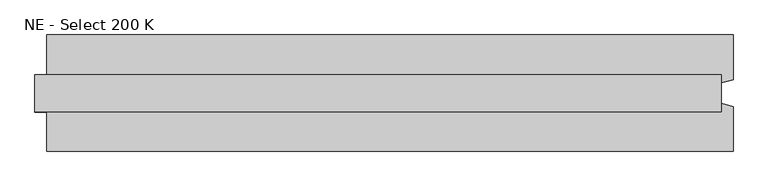
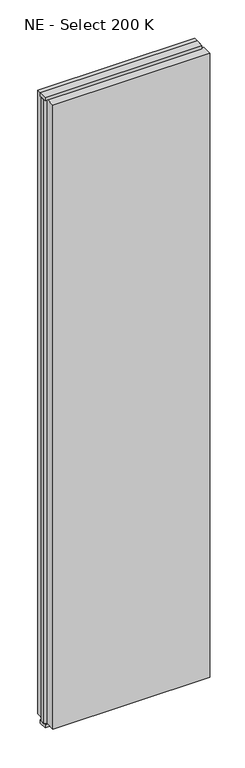
"""IFC4 building model written with IfcOpenShell, lengths in millimetres: plate geometry, NE - Select 200 K."""

import ifcopenshell
import ifcopenshell.guid

model = None  # the IFC model being written
_history = None  # IfcOwnerHistory: only IFC2X3 demands one
_inside = {}  # id of a spatial element -> (the spatial element, [elements in it])
_under = {}  # id of a project, library or spatial element -> (it, [spatial elements below it])
_declared = {}  # id of a project -> (the project, [libraries it declares])
_typed = {}  # id of a type object -> (the type object, [elements of that type])
_made_of = {}  # id of a material, layer set ... -> (it, [elements and type objects made of it])


def new_model(schema):
    """Start an empty IFC model of exactly this schema.

    Asked for "IFC4X3", IfcOpenShell would pick the latest addendum, in which some entities
    have other attributes; the version numbers below select the first issue.
    IFC2X3 requires an IfcOwnerHistory on every rooted entity: one is made here for all.
    """
    global model, _history
    if schema == "IFC4X3":
        model = ifcopenshell.file(schema_version=(4, 3, 0, 0))
    else:
        model = ifcopenshell.file(schema=schema)
    _inside.clear()
    _under.clear()
    _declared.clear()
    _typed.clear()
    _made_of.clear()
    _history = None
    if model.schema == "IFC2X3":
        org = make("IfcOrganization", Name="unknown")
        user = make(
            "IfcPersonAndOrganization",
            ThePerson=make("IfcPerson", FamilyName="unknown"),
            TheOrganization=org,
        )
        app = make(
            "IfcApplication",
            ApplicationDeveloper=org,
            Version="unknown",
            ApplicationFullName="unknown",
            ApplicationIdentifier="unknown",
        )
        _history = make(
            "IfcOwnerHistory",
            OwningUser=user,
            OwningApplication=app,
            ChangeAction="ADDED",
            CreationDate=0,
        )
    return model


def make(cls, **values):
    """One entity of the class cls with the attributes given. An attribute that is None is left unset."""
    return model.create_entity(
        cls, **{name: value for name, value in values.items() if value is not None}
    )


def rooted(cls, **values):
    """An entity with a GlobalId (a new one), such as an element, a storey or a relation."""
    return make(cls, GlobalId=ifcopenshell.guid.new(), OwnerHistory=_history, **values)


def si_unit(unit_type, name, prefix=None):
    """IfcSIUnit, for example si_unit("LENGTHUNIT", "METRE", prefix="MILLI")."""
    return make("IfcSIUnit", UnitType=unit_type, Prefix=prefix, Name=name)


def assignment(units):
    """IfcUnitAssignment: the units of a project."""
    return None if units is None else make("IfcUnitAssignment", Units=units)


def point(xyz):
    """IfcCartesianPoint."""
    return None if xyz is None else make("IfcCartesianPoint", Coordinates=xyz)


def direction(xyz):
    """IfcDirection."""
    return None if xyz is None else make("IfcDirection", DirectionRatios=xyz)


def frame(location, z_axis=None, x_axis=None):
    """IfcAxis2Placement3D, a coordinate frame: its origin and axes. An axis left out is left unset."""
    return make(
        "IfcAxis2Placement3D",
        Location=point(location),
        Axis=direction(z_axis),
        RefDirection=direction(x_axis),
    )


def origin():
    """The frame at (0, 0, 0) with its axes left unset."""
    return frame((0.0, 0.0, 0.0))


def origin_with_axes():
    """The frame at (0, 0, 0) with the z axis (0, 0, 1) and the x axis (1, 0, 0) written out."""
    return frame((0.0, 0.0, 0.0), z_axis=(0.0, 0.0, 1.0), x_axis=(1.0, 0.0, 0.0))


def place(relative_to, where):
    """IfcLocalPlacement: puts the frame where relative to a parent placement (None: the world)."""
    return make(
        "IfcLocalPlacement", PlacementRelTo=relative_to, RelativePlacement=where
    )


def context(
    kind, dimensions, precision=None, world=None, true_north=None, identifier=None
):
    """IfcGeometricRepresentationContext, for example the 3D "Model" context."""
    return make(
        "IfcGeometricRepresentationContext",
        ContextIdentifier=identifier,
        ContextType=kind,
        CoordinateSpaceDimension=dimensions,
        Precision=precision,
        WorldCoordinateSystem=world,
        TrueNorth=true_north,
    )


def project(units=None, contexts=None):
    """IfcProject with its units and contexts."""
    return rooted(
        "IfcProject",
        Name="project",
        RepresentationContexts=contexts,
        UnitsInContext=assignment(units),
    )


def spatial(cls, under=None, at=None, **own):
    """A site, building, storey or space (cls), placed at a placement, below another one or the project."""
    s = rooted(cls, ObjectPlacement=at, **own)
    if under is not None:
        _under.setdefault(under.id(), (under, []))[1].append(s)
    return s


def polyline(points):
    """IfcPolyline through the points."""
    return make("IfcPolyline", Points=[point(p) for p in points])


def outline(outer, holes=None, kind="AREA"):
    """IfcArbitraryClosedProfileDef: a profile drawn as a closed curve; with holes, ...WithVoids."""
    if holes is None:
        return make("IfcArbitraryClosedProfileDef", ProfileType=kind, OuterCurve=outer)
    return make(
        "IfcArbitraryProfileDefWithVoids",
        ProfileType=kind,
        OuterCurve=outer,
        InnerCurves=holes,
    )


def extrude(swept, where, along, depth):
    """IfcExtrudedAreaSolid: the profile swept, set in the frame where, extruded along a direction by depth."""
    return make(
        "IfcExtrudedAreaSolid",
        SweptArea=swept,
        Position=where,
        ExtrudedDirection=direction(along),
        Depth=depth,
    )


def shape(context_of_items, identifier, shape_type, items):
    """IfcShapeRepresentation: the items that make up one representation, for example the "Body"."""
    return make(
        "IfcShapeRepresentation",
        ContextOfItems=context_of_items,
        RepresentationIdentifier=identifier,
        RepresentationType=shape_type,
        Items=items,
    )


def source(mapping_origin, context_of_items, identifier, shape_type, items):
    """IfcRepresentationMap: a shape defined once, which mapped items show again and again."""
    return make(
        "IfcRepresentationMap",
        MappingOrigin=mapping_origin,
        MappedRepresentation=shape(context_of_items, identifier, shape_type, items),
    )


def transform(
    local_origin,
    x_axis=None,
    y_axis=None,
    z_axis=None,
    scale=None,
    scale2=None,
    scale3=None,
    uniform=True,
):
    """IfcCartesianTransformationOperator3D, or its non-uniform kind. x_axis, y_axis, z_axis: its Axis1, 2, 3."""
    if uniform:
        return make(
            "IfcCartesianTransformationOperator3D",
            Axis1=direction(x_axis),
            Axis2=direction(y_axis),
            LocalOrigin=point(local_origin),
            Scale=scale,
            Axis3=direction(z_axis),
        )
    return make(
        "IfcCartesianTransformationOperator3DnonUniform",
        Axis1=direction(x_axis),
        Axis2=direction(y_axis),
        LocalOrigin=point(local_origin),
        Scale=scale,
        Axis3=direction(z_axis),
        Scale2=scale2,
        Scale3=scale3,
    )


def mapped(mapping_source, mapping_target):
    """IfcMappedItem: shows the shape of a source again, moved by a transform."""
    return make(
        "IfcMappedItem", MappingSource=mapping_source, MappingTarget=mapping_target
    )


def made_of(thing, what):
    """Note that an element or type object is made of a material, layer set ...; save() writes the relation."""
    if what is not None:
        _made_of.setdefault(what.id(), (what, []))[1].append(thing)
    return thing


def element(
    cls,
    number,
    at=None,
    inside=None,
    cuts=None,
    type_object=None,
    material=None,
    context=None,
    identifier="Body",
    shape_type=None,
    held_by="IfcProductDefinitionShape",
    body=None,
    shapes=None,
    **own,
):
    """One element of the class cls, such as IfcWall. Its Tag is "e" and its number.

    at: its placement. inside: the storey or other place that contains it. cuts: it is an
    opening in that element (IfcRelVoidsElement). A single representation is given by context,
    identifier, shape_type and body (its items); several are given by shapes. held_by: the class
    of the entity that holds the representations. save() writes the other relations.
    """
    e = rooted(cls, Tag="e%d" % number, ObjectPlacement=at, **own)
    if body is not None:
        shapes = [shape(context, identifier, shape_type, body)]
    if shapes is not None:
        e.Representation = make(held_by, Representations=shapes)
    if inside is not None:
        _inside.setdefault(inside.id(), (inside, []))[1].append(e)
    if cuts is not None:
        rooted(
            "IfcRelVoidsElement", RelatingBuildingElement=cuts, RelatedOpeningElement=e
        )
    if type_object is not None:
        _typed.setdefault(type_object.id(), (type_object, []))[1].append(e)
    return made_of(e, material)


def aggregate(whole, parts):
    """IfcRelAggregates: a whole, such as a stair, and the parts it consists of."""
    return rooted("IfcRelAggregates", RelatingObject=whole, RelatedObjects=parts)


def save(model, path):
    """Write the relations noted so far, then the file.

    IfcRelAggregates (storeys below a building ...), IfcRelContainedInSpatialStructure (elements
    in a storey), IfcRelDefinesByType, IfcRelAssociatesMaterial and IfcRelDeclares: one each for
    every whole, place, type object, material and project.
    """
    for whole, parts in _under.values():
        aggregate(whole, parts)
    for where, things in _inside.values():
        rooted(
            "IfcRelContainedInSpatialStructure",
            RelatedElements=things,
            RelatingStructure=where,
        )
    for kind, things in _typed.values():
        rooted("IfcRelDefinesByType", RelatedObjects=things, RelatingType=kind)
    for what, things in _made_of.values():
        rooted("IfcRelAssociatesMaterial", RelatedObjects=things, RelatingMaterial=what)
    for by, libraries in _declared.values():
        rooted("IfcRelDeclares", RelatingContext=by, RelatedDefinitions=libraries)
    model.write(path)


def ne_select_200_k_49906013(model_context):
    return source(origin(), model_context, "Body", "SweptSolid", [
        extrude(outline(polyline([(609.0, 100.0), (609.0, 22.9993165), (589.0, 17.6401049), (589.0, -17.6401049), (609.0, -22.9993165), (609.0, -100.0), (-569.0, -100.0), (-569.0, -22.9993165), (-589.0, -17.6401049), (-589.0, 17.6401049), (-569.0, 22.9993165), (-569.0, 100.0), (609.0, 100.0)])), frame((0.0, 0.0, 25.0), z_axis=(0.0, 0.0, 1.0), x_axis=(1.0, 0.0, 0.0)), (0.0, 0.0, 1.0), 4950.0),
        extrude(outline(polyline([(589.0, 32.0), (589.0, -32.0), (-589.0, -32.0), (-589.0, 32.0), (589.0, 32.0)])), origin_with_axes(), (0.0, 0.0, 1.0), 25.0),
        extrude(outline(polyline([(589.0, 32.0), (589.0, -32.0), (-589.0, -32.0), (-589.0, 32.0), (589.0, 32.0)])), frame((0.0, 0.0, 4975.0), z_axis=(0.0, 0.0, 1.0), x_axis=(1.0, 0.0, 0.0)), (0.0, 0.0, 1.0), 25.0),
    ])


if __name__ == "__main__":
    model = new_model("IFC4")
    model_context = context("Model", 3, world=origin())
    ifc_project = project(units=[si_unit("LENGTHUNIT", "METRE", prefix="MILLI")], contexts=[model_context])
    site = spatial("IfcSite", under=ifc_project)
    building = spatial("IfcBuilding", under=site)
    placement = place(None, origin())
    ne_select_200_k_shape = ne_select_200_k_49906013(model_context)
    element("IfcPlate", 1, ObjectType="NE - Select 200 K", at=placement, inside=building, context=model_context, shape_type="MappedRepresentation", body=[
        mapped(ne_select_200_k_shape, transform((0.0, 0.0, 0.0), x_axis=(1.0, 0.0, 0.0), y_axis=(0.0, 1.0, 0.0), z_axis=(0.0, 0.0, 1.0))),
    ])
    save(model, "model.ifc")
